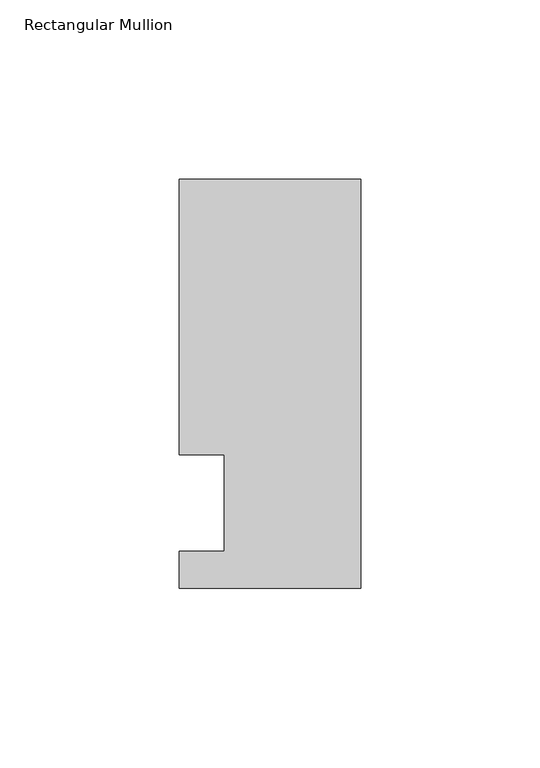
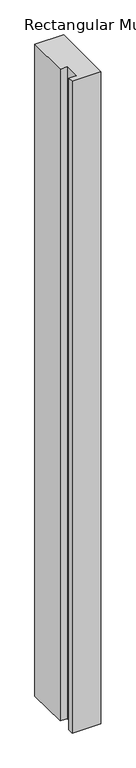
"""IFC4 building model written with IfcOpenShell, lengths in millimetres: member geometry, Rectangular Mullion."""

from ifc_helpers import new_model, si_unit, frame, origin, place, context, project, spatial, polyline, outline, extrude, source, transform, mapped, element, save


def rectangular_mullion_16d4bad5(model_context):
    return source(origin(), model_context, "Body", "SweptSolid", [
        extrude(outline(polyline([(29.7344027, 90.4875), (29.7344027, -23.8125), (-21.0655973, -23.8125), (-21.0655973, -13.49375), (-8.3655973, -13.49375), (-8.3655973, 13.49375), (-21.0655973, 13.49375), (-21.0655973, 90.4875), (29.7344027, 90.4875)])), frame((0.0, 0.0, -1219.2), z_axis=(0.0, 0.0, 1.0), x_axis=(1.0, 0.0, 0.0)), (0.0, 0.0, 1.0), 1219.2),
    ])


if __name__ == "__main__":
    model = new_model("IFC4")
    model_context = context("Model", 3, world=origin())
    ifc_project = project(units=[si_unit("LENGTHUNIT", "METRE", prefix="MILLI")], contexts=[model_context])
    site = spatial("IfcSite", under=ifc_project)
    building = spatial("IfcBuilding", under=site)
    placement = place(None, origin())
    rectangular_mullion_shape = rectangular_mullion_16d4bad5(model_context)
    element("IfcMember", 1, ObjectType="Rectangular Mullion", at=placement, inside=building, context=model_context, shape_type="MappedRepresentation", body=[
        mapped(rectangular_mullion_shape, transform((0.0, 0.0, 0.0), x_axis=(1.0, 0.0, 0.0), y_axis=(0.0, 1.0, 0.0), z_axis=(0.0, 0.0, 1.0))),
    ])
    save(model, "model.ifc")
